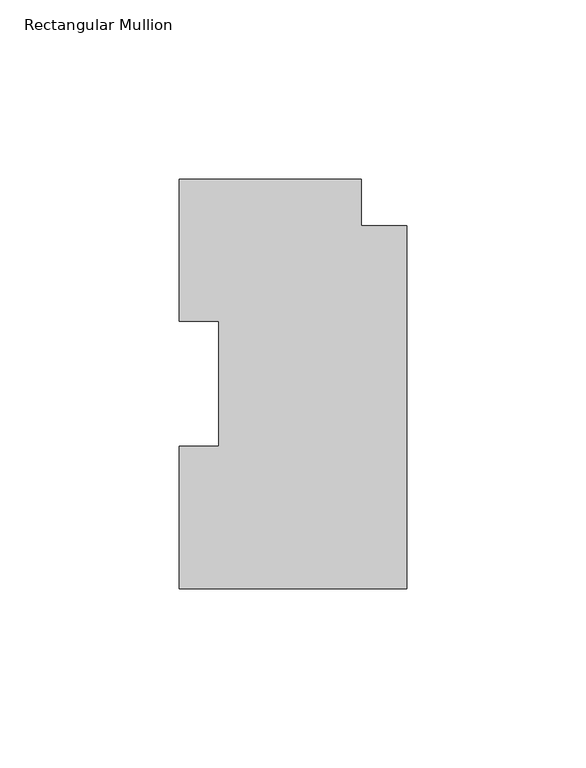
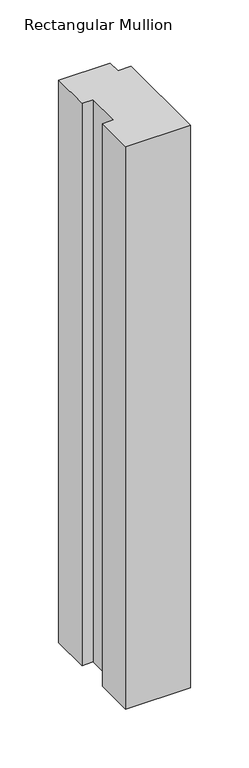
"""IFC4 building model written with IfcOpenShell, lengths in millimetres: member geometry, Rectangular Mullion."""

from ifc_helpers import new_model, si_unit, frame, origin, place, context, project, spatial, polyline, outline, extrude, source, transform, mapped, element, save


def rectangular_mullion_a1574cb2(model_context):
    return source(origin(), model_context, "Body", "SweptSolid", [
        extrude(outline(polyline([(-63.5, 114.0729875), (-12.7, 114.0729875), (-12.7, 100.9919875), (0.0, 100.9919875), (0.0, -0.2270125), (-63.5, -0.2270125), (-63.5, 39.4477875), (-52.3875, 39.4477875), (-52.3875, 74.3981875), (-63.5, 74.3981875), (-63.5, 114.0729875)])), frame((0.0, 0.0, -584.2), z_axis=(0.0, 0.0, 1.0), x_axis=(1.0, 0.0, 0.0)), (0.0, 0.0, 1.0), 584.2),
    ])


if __name__ == "__main__":
    model = new_model("IFC4")
    model_context = context("Model", 3, world=origin())
    ifc_project = project(units=[si_unit("LENGTHUNIT", "METRE", prefix="MILLI")], contexts=[model_context])
    site = spatial("IfcSite", under=ifc_project)
    building = spatial("IfcBuilding", under=site)
    placement = place(None, origin())
    rectangular_mullion_shape = rectangular_mullion_a1574cb2(model_context)
    element("IfcMember", 1, ObjectType="Rectangular Mullion", at=placement, inside=building, context=model_context, shape_type="MappedRepresentation", body=[
        mapped(rectangular_mullion_shape, transform((0.0, 0.0, 0.0), x_axis=(1.0, 0.0, 0.0), y_axis=(0.0, 1.0, 0.0), z_axis=(0.0, 0.0, 1.0))),
    ])
    save(model, "model.ifc")
